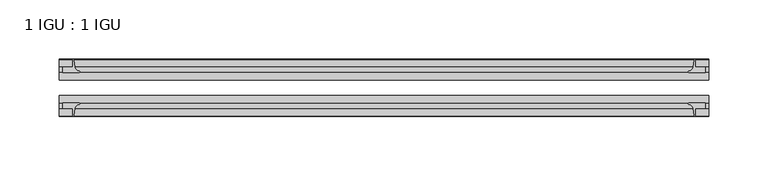
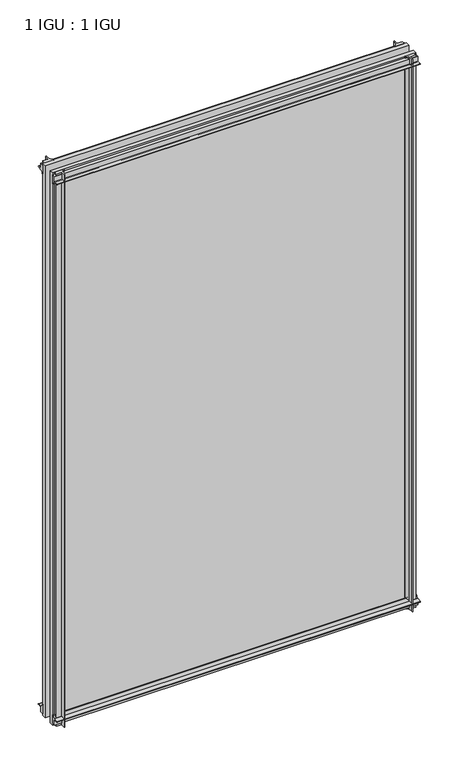
"""IFC4 building model written with IfcOpenShell, lengths in millimetres: plate geometry, 1 IGU : 1 IGU."""

from ifc_helpers import new_model, si_unit, point, frame, frame_2d, origin, place, context, project, spatial, polyline, circle_curve, trimmed, segment, composite_curve, outline, extrude, source, transform, mapped, element, save


def plate_1_igu_1_igu_ae2637e8(model_context):
    return source(origin(), model_context, "Body", "SweptSolid", [
        extrude(outline(composite_curve([segment(polyline([(-42.3267187, -8.2068385), (-47.0892187, -8.2068385), (-47.0892187, 0.0), (-53.563779, 0.0)]), True, "CONTINUOUS"), segment(trimmed(circle_curve(frame_2d((-53.0328134, 0.3482823)), 0.635), [point((-53.563779, 0.0))], [point((-53.0575397, 0.9828007))], False, "CARTESIAN"), True, "CONTINUOUS"), segment(trimmed(circle_curve(frame_2d((-54.2310045, 31.0958559)), 30.1359106), [point((-53.0575397, 0.9828007))], [point((-47.0834032, 1.8198434))], True, "CARTESIAN"), True, "CONTINUOUS"), segment(trimmed(circle_curve(frame_2d((-48.2159797, 6.4587878)), 4.7752), [point((-47.0834032, 1.8198434))], [point((-43.578416, 5.3205707))], True, "CARTESIAN"), True, "CONTINUOUS"), segment(trimmed(circle_curve(frame_2d((-42.9617187, 5.169212)), 0.635), [point((-43.578416, 5.3205707))], [point((-42.3267187, 5.169212))], False, "CARTESIAN"), True, "CONTINUOUS"), segment(polyline([(-42.3267187, 5.169212), (-42.3267187, -8.2068385)]), True, "CONTINUOUS")], self_intersect=False)), frame((-273.05, 0.0, 0.0), z_axis=(1.0, 0.0, 0.0), x_axis=(0.0, 1.0, 0.0)), (0.0, 0.0, 1.0), 546.1),
        extrude(outline(composite_curve([segment(polyline([(-16.9267187, -8.2068385), (-16.9267187, 5.169212)]), True, "CONTINUOUS"), segment(trimmed(circle_curve(frame_2d((-16.2917187, 5.169212)), 0.635), [point((-16.9267187, 5.169212))], [point((-15.6750215, 5.3205707))], False, "CARTESIAN"), True, "CONTINUOUS"), segment(trimmed(circle_curve(frame_2d((-11.0374578, 6.4587878)), 4.7752), [point((-15.6750215, 5.3205707))], [point((-12.1700343, 1.8198434))], True, "CARTESIAN"), True, "CONTINUOUS"), segment(trimmed(circle_curve(frame_2d((-5.022433, 31.0958559)), 30.1359106), [point((-12.1700343, 1.8198434))], [point((-6.1958978, 0.9828007))], True, "CARTESIAN"), True, "CONTINUOUS"), segment(trimmed(circle_curve(frame_2d((-6.2206241, 0.3482823)), 0.635), [point((-6.1958978, 0.9828007))], [point((-5.6896585, 0.0))], False, "CARTESIAN"), True, "CONTINUOUS"), segment(polyline([(-5.6896585, 0.0), (-12.1642187, 0.0), (-12.1642187, -8.2068385), (-16.9267187, -8.2068385)]), True, "CONTINUOUS")], self_intersect=False)), frame((-273.05, 0.0, 0.0), z_axis=(1.0, 0.0, 0.0), x_axis=(0.0, 1.0, 0.0)), (0.0, 0.0, 1.0), 546.1),
        extrude(outline(composite_curve([segment(polyline([(-47.0892188, 854.0748985), (-47.0892188, 862.281737), (-42.3267188, 862.281737), (-42.3267188, 848.9056865)]), True, "CONTINUOUS"), segment(trimmed(circle_curve(frame_2d((-42.9617187, 848.9056865)), 0.635), [point((-42.3267188, 848.9056865))], [point((-43.578416, 848.7543278))], False, "CARTESIAN"), True, "CONTINUOUS"), segment(trimmed(circle_curve(frame_2d((-48.2159797, 847.6161107)), 4.7752), [point((-43.578416, 848.7543278))], [point((-47.0834032, 852.2550551))], True, "CARTESIAN"), True, "CONTINUOUS"), segment(trimmed(circle_curve(frame_2d((-54.2310045, 822.9790426)), 30.1359106), [point((-47.0834032, 852.2550551))], [point((-53.0575397, 853.0920978))], True, "CARTESIAN"), True, "CONTINUOUS"), segment(trimmed(circle_curve(frame_2d((-53.0328134, 853.7266162)), 0.635), [point((-53.0575397, 853.0920978))], [point((-53.563779, 854.0748985))], False, "CARTESIAN"), True, "CONTINUOUS"), segment(polyline([(-53.563779, 854.0748985), (-47.0892188, 854.0748985)]), True, "CONTINUOUS")], self_intersect=False)), frame((-273.05, 0.0, 0.0), z_axis=(1.0, 0.0, 0.0), x_axis=(0.0, 1.0, 0.0)), (0.0, 0.0, 1.0), 546.1),
        extrude(outline(composite_curve([segment(polyline([(-12.1642187, 854.0748985), (-5.6896585, 854.0748985)]), True, "CONTINUOUS"), segment(trimmed(circle_curve(frame_2d((-6.2206241, 853.7266162)), 0.635), [point((-5.6896585, 854.0748985))], [point((-6.1958978, 853.0920978))], False, "CARTESIAN"), True, "CONTINUOUS"), segment(trimmed(circle_curve(frame_2d((-5.022433, 822.9790426)), 30.1359106), [point((-6.1958978, 853.0920978))], [point((-12.1700343, 852.2550551))], True, "CARTESIAN"), True, "CONTINUOUS"), segment(trimmed(circle_curve(frame_2d((-11.0374578, 847.6161107)), 4.7752), [point((-12.1700343, 852.2550551))], [point((-15.6750215, 848.7543278))], True, "CARTESIAN"), True, "CONTINUOUS"), segment(trimmed(circle_curve(frame_2d((-16.2917188, 848.9056865)), 0.635), [point((-15.6750215, 848.7543278))], [point((-16.9267188, 848.9056865))], False, "CARTESIAN"), True, "CONTINUOUS"), segment(polyline([(-16.9267188, 848.9056865), (-16.9267187, 862.281737), (-12.1642187, 862.281737), (-12.1642187, 854.0748985)]), True, "CONTINUOUS")], self_intersect=False)), frame((-273.05, 0.0, 0.0), z_axis=(1.0, 0.0, 0.0), x_axis=(0.0, 1.0, 0.0)), (0.0, 0.0, 1.0), 546.1),
        extrude(outline(composite_curve([segment(polyline([(261.9375, -5.6896585), (261.9375, -12.1642188), (270.1443385, -12.1642188), (270.1443385, -16.9267187), (256.768288, -16.9267187)]), True, "CONTINUOUS"), segment(trimmed(circle_curve(frame_2d((256.768288, -16.2917188)), 0.635), [point((256.768288, -16.9267187))], [point((256.6169293, -15.6750215))], False, "CARTESIAN"), True, "CONTINUOUS"), segment(trimmed(circle_curve(frame_2d((255.4787122, -11.0374578)), 4.7752), [point((256.6169293, -15.6750215))], [point((260.1176566, -12.1700343))], True, "CARTESIAN"), True, "CONTINUOUS"), segment(trimmed(circle_curve(frame_2d((230.8416441, -5.022433)), 30.1359106), [point((260.1176566, -12.1700343))], [point((260.9546993, -6.1958978))], True, "CARTESIAN"), True, "CONTINUOUS"), segment(trimmed(circle_curve(frame_2d((261.5892177, -6.2206241)), 0.635), [point((260.9546993, -6.1958978))], [point((261.9375, -5.6896585))], False, "CARTESIAN"), True, "CONTINUOUS")], self_intersect=False)), frame((0.0, 0.0, -11.1125), z_axis=(0.0, 0.0, 1.0), x_axis=(1.0, 0.0, 0.0)), (0.0, 0.0, 1.0), 876.2998985),
        extrude(outline(composite_curve([segment(trimmed(circle_curve(frame_2d((261.5892177, -53.0328134)), 0.635), [point((261.9375, -53.563779))], [point((260.9546993, -53.0575397))], False, "CARTESIAN"), True, "CONTINUOUS"), segment(trimmed(circle_curve(frame_2d((230.8416441, -54.2310045)), 30.1359106), [point((260.9546993, -53.0575397))], [point((260.1176566, -47.0834032))], True, "CARTESIAN"), True, "CONTINUOUS"), segment(trimmed(circle_curve(frame_2d((255.4787122, -48.2159797)), 4.7752), [point((260.1176566, -47.0834032))], [point((256.6169293, -43.578416))], True, "CARTESIAN"), True, "CONTINUOUS"), segment(trimmed(circle_curve(frame_2d((256.768288, -42.9617187)), 0.635), [point((256.6169293, -43.578416))], [point((256.768288, -42.3267187))], False, "CARTESIAN"), True, "CONTINUOUS"), segment(polyline([(256.768288, -42.3267187), (270.1443385, -42.3267187), (270.1443385, -47.0892188), (261.9375, -47.0892188), (261.9375, -53.563779)]), True, "CONTINUOUS")], self_intersect=False)), frame((0.0, 0.0, -11.1125), z_axis=(0.0, 0.0, 1.0), x_axis=(1.0, 0.0, 0.0)), (0.0, 0.0, 1.0), 876.2998985),
        extrude(outline(composite_curve([segment(trimmed(circle_curve(frame_2d((-261.5892177, -6.2206241)), 0.635), [point((-261.9375, -5.6896585))], [point((-260.9546993, -6.1958978))], False, "CARTESIAN"), True, "CONTINUOUS"), segment(trimmed(circle_curve(frame_2d((-230.8416441, -5.022433)), 30.1359106), [point((-260.9546993, -6.1958978))], [point((-260.1176566, -12.1700343))], True, "CARTESIAN"), True, "CONTINUOUS"), segment(trimmed(circle_curve(frame_2d((-255.4787122, -11.0374578)), 4.7752), [point((-260.1176566, -12.1700343))], [point((-256.6169293, -15.6750215))], True, "CARTESIAN"), True, "CONTINUOUS"), segment(trimmed(circle_curve(frame_2d((-256.768288, -16.2917187)), 0.635), [point((-256.6169293, -15.6750215))], [point((-256.768288, -16.9267187))], False, "CARTESIAN"), True, "CONTINUOUS"), segment(polyline([(-256.768288, -16.9267187), (-270.1443385, -16.9267187), (-270.1443385, -12.1642187), (-261.9375, -12.1642187), (-261.9375, -5.6896585)]), True, "CONTINUOUS")], self_intersect=False)), frame((0.0, 0.0, -11.1125), z_axis=(0.0, 0.0, 1.0), x_axis=(1.0, 0.0, 0.0)), (0.0, 0.0, 1.0), 876.2998985),
        extrude(outline(composite_curve([segment(polyline([(-261.9375, -53.563779), (-261.9375, -47.0892187), (-270.1443385, -47.0892187), (-270.1443385, -42.3267188), (-256.768288, -42.3267188)]), True, "CONTINUOUS"), segment(trimmed(circle_curve(frame_2d((-256.768288, -42.9617187)), 0.635), [point((-256.768288, -42.3267188))], [point((-256.6169293, -43.578416))], False, "CARTESIAN"), True, "CONTINUOUS"), segment(trimmed(circle_curve(frame_2d((-255.4787122, -48.2159797)), 4.7752), [point((-256.6169293, -43.578416))], [point((-260.1176566, -47.0834032))], True, "CARTESIAN"), True, "CONTINUOUS"), segment(trimmed(circle_curve(frame_2d((-230.8416441, -54.2310045)), 30.1359106), [point((-260.1176566, -47.0834032))], [point((-260.9546993, -53.0575397))], True, "CARTESIAN"), True, "CONTINUOUS"), segment(trimmed(circle_curve(frame_2d((-261.5892177, -53.0328134)), 0.635), [point((-260.9546993, -53.0575397))], [point((-261.9375, -53.563779))], False, "CARTESIAN"), True, "CONTINUOUS")], self_intersect=False)), frame((0.0, 0.0, -11.1125), z_axis=(0.0, 0.0, 1.0), x_axis=(1.0, 0.0, 0.0)), (0.0, 0.0, 1.0), 876.2998985),
        extrude(outline(polyline([(273.05, -16.9267187), (273.05, -23.2259187), (-273.05, -23.2259187), (-273.05, -16.9267187), (273.05, -16.9267187)])), frame((0.0, 0.0, -11.1125), z_axis=(0.0, 0.0, 1.0), x_axis=(1.0, 0.0, 0.0)), (0.0, 0.0, 1.0), 876.2998985),
        extrude(outline(polyline([(273.05, -36.0275187), (273.05, -42.3267187), (-273.05, -42.3267187), (-273.05, -36.0275187), (273.05, -36.0275187)])), frame((0.0, 0.0, -11.1125), z_axis=(0.0, 0.0, 1.0), x_axis=(1.0, 0.0, 0.0)), (0.0, 0.0, 1.0), 876.2998985),
    ])


if __name__ == "__main__":
    model = new_model("IFC4")
    model_context = context("Model", 3, world=origin())
    ifc_project = project(units=[si_unit("LENGTHUNIT", "METRE", prefix="MILLI")], contexts=[model_context])
    site = spatial("IfcSite", under=ifc_project)
    building = spatial("IfcBuilding", under=site)
    placement = place(None, origin())
    plate_1_igu_1_igu_shape = plate_1_igu_1_igu_ae2637e8(model_context)
    element("IfcPlate", 1, ObjectType="1 IGU : 1 IGU", at=placement, inside=building, context=model_context, shape_type="MappedRepresentation", body=[
        mapped(plate_1_igu_1_igu_shape, transform((0.0, 0.0, 0.0), x_axis=(1.0, 0.0, 0.0), y_axis=(0.0, 1.0, 0.0), z_axis=(0.0, 0.0, 1.0))),
    ])
    save(model, "model.ifc")
